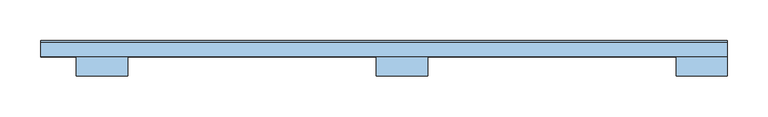
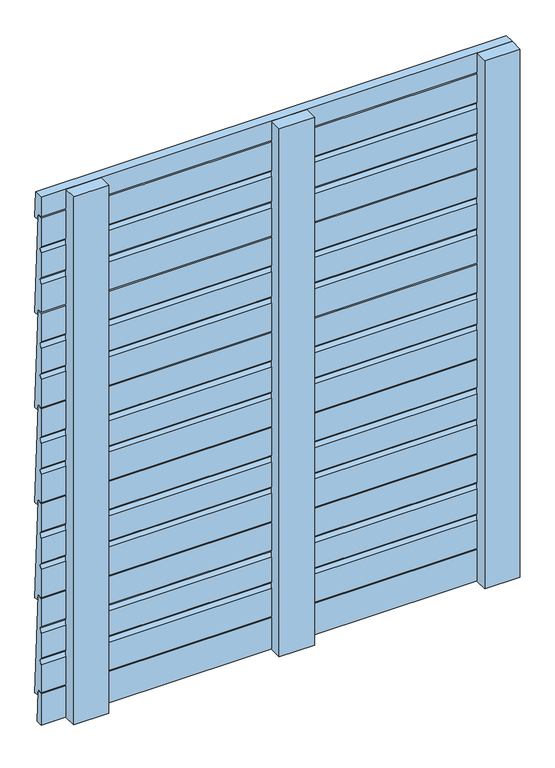
"""IFC4 building model written with IfcOpenShell, lengths in millimetres: window geometry."""

from ifc_helpers import new_model, si_unit, frame, origin, place, context, project, spatial, polyline, outline, extrude, source, transform, mapped, element, save


def window_db706a1d(model_context):
    return source(origin(), model_context, "Body", "SweptSolid", [
        extrude(outline(polyline([(60.0001991, 227.3333333), (60.0001991, 274.6666667), (65.1979914, 280.6666667), (60.0001991, 286.6666667), (60.0001991, 340.0), (70.0094684, 340.0), (80.0078741, 150.0031481), (71.0853004, 150.9402731), (70.3857007, 162.0), (60.0001991, 162.0), (60.0001991, 215.3333333), (65.1979914, 221.3333333), (60.0001991, 227.3333333)])), frame((-444.0, 0.0, 0.0), z_axis=(1.0, 0.0, 0.0), x_axis=(0.0, 1.0, 0.0)), (0.0, 0.0, 1.0), 844.0),
        extrude(outline(polyline([(60.0001991, 407.3333333), (60.0001991, 454.6666667), (65.1979914, 460.6666667), (60.0001991, 466.6666667), (60.0001991, 520.0), (70.0094684, 520.0), (80.0078741, 330.0031481), (71.0853004, 330.9402731), (70.3857007, 342.0), (60.0001991, 342.0), (60.0001991, 395.3333333), (65.1979914, 401.3333333), (60.0001991, 407.3333333)])), frame((-444.0, 0.0, 0.0), z_axis=(1.0, 0.0, 0.0), x_axis=(0.0, 1.0, 0.0)), (0.0, 0.0, 1.0), 844.0),
        extrude(outline(polyline([(60.0001991, 587.3333333), (60.0001991, 634.6666667), (65.1979914, 640.6666667), (60.0001991, 646.6666667), (60.0001991, 700.0), (70.0094684, 700.0), (80.0078741, 510.0031481), (71.0853004, 510.9402731), (70.3857007, 522.0), (60.0001991, 522.0), (60.0001991, 575.3333333), (65.1979914, 581.3333333), (60.0001991, 587.3333333)])), frame((-444.0, 0.0, 0.0), z_axis=(1.0, 0.0, 0.0), x_axis=(0.0, 1.0, 0.0)), (0.0, 0.0, 1.0), 844.0),
        extrude(outline(polyline([(60.0001991, 767.3333333), (60.0001991, 814.6666667), (65.1979914, 820.6666667), (60.0001991, 826.6666667), (60.0001991, 880.0), (70.0094684, 880.0), (80.0078741, 690.0031481), (71.0853004, 690.9402731), (70.3857007, 702.0), (60.0001991, 702.0), (60.0001991, 755.3333333), (65.1979914, 761.3333333), (60.0001991, 767.3333333)])), frame((-444.0, 0.0, 0.0), z_axis=(1.0, 0.0, 0.0), x_axis=(0.0, 1.0, 0.0)), (0.0, 0.0, 1.0), 844.0),
        extrude(outline(polyline([(60.0001991, 947.3333333), (60.0001991, 994.6666667), (65.1979914, 1000.6666667), (60.0001991, 1006.6666667), (60.0001991, 1060.0), (70.0094684, 1060.0), (80.0078741, 870.0031481), (71.0853004, 870.9402731), (70.3857007, 882.0), (60.0001991, 882.0), (60.0001991, 935.3333333), (65.1979914, 941.3333333), (60.0001991, 947.3333333)])), frame((-444.0, 0.0, 0.0), z_axis=(1.0, 0.0, 0.0), x_axis=(0.0, 1.0, 0.0)), (0.0, 0.0, 1.0), 844.0),
        extrude(outline(polyline([(69.9998746, 160.0), (72.8706329, 100.0), (60.0, 100.0), (60.0, 160.0), (69.9998746, 160.0)])), frame((-444.0, 0.0, 0.0), z_axis=(1.0, 0.0, 0.0), x_axis=(0.0, 1.0, 0.0)), (0.0, 0.0, 1.0), 844.0),
        extrude(outline(polyline([(80.0039038, 1051.0031481), (71.0813302, 1051.9402731), (70.3817304, 1063.0), (60.0039038, 1063.0), (60.0039038, 1100.0), (77.4250794, 1100.0), (80.0039038, 1051.0031481)])), frame((-444.0, 0.0, 0.0), z_axis=(1.0, 0.0, 0.0), x_axis=(0.0, 1.0, 0.0)), (0.0, 0.0, 1.0), 844.0),
        extrude(outline(polyline([(-31.5, 60.1), (31.5, 60.1), (31.5, 36.1), (-31.5, 36.1), (-31.5, 60.1)])), frame((0.0, 0.0, 100.0), z_axis=(0.0, 0.0, 1.0), x_axis=(1.0, 0.0, 0.0)), (0.0, 0.0, 1.0), 1000.0),
        extrude(outline(polyline([(-400.0, 60.0), (-337.0, 60.0), (-337.0, 36.0), (-400.0, 36.0), (-400.0, 60.0)])), frame((0.0, 0.0, 100.0), z_axis=(0.0, 0.0, 1.0), x_axis=(1.0, 0.0, 0.0)), (0.0, 0.0, 1.0), 1000.0),
        extrude(outline(polyline([(337.0, 60.0), (400.0, 60.0), (400.0, 36.0), (337.0, 36.0), (337.0, 60.0)])), frame((0.0, 0.0, 100.0), z_axis=(0.0, 0.0, 1.0), x_axis=(1.0, 0.0, 0.0)), (0.0, 0.0, 1.0), 1000.0),
    ])


if __name__ == "__main__":
    model = new_model("IFC4")
    model_context = context("Model", 3, world=origin())
    ifc_project = project(units=[si_unit("LENGTHUNIT", "METRE", prefix="MILLI")], contexts=[model_context])
    site = spatial("IfcSite", under=ifc_project)
    building = spatial("IfcBuilding", under=site)
    placement = place(None, origin())
    window_shape = window_db706a1d(model_context)
    element("IfcWindow", 1, at=placement, inside=building, context=model_context, shape_type="MappedRepresentation", body=[
        mapped(window_shape, transform((0.0, 0.0, 0.0), x_axis=(1.0, 0.0, 0.0), y_axis=(0.0, 1.0, 0.0), z_axis=(0.0, 0.0, 1.0))),
    ])
    save(model, "model.ifc")
